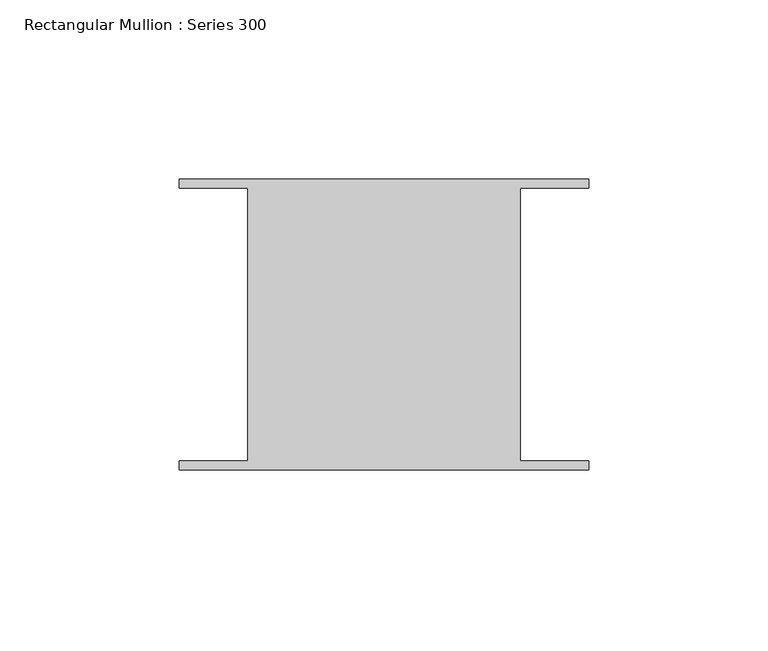
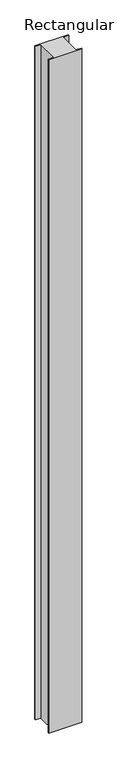
"""IFC4 building model written with IfcOpenShell, lengths in millimetres: member geometry, Rectangular Mullion : Series 300."""

from ifc_helpers import new_model, si_unit, frame, origin, place, context, project, spatial, polyline, outline, extrude, source, transform, mapped, element, save


def rectangular_mullion_series_300_eec58e1b(model_context):
    return source(origin(), model_context, "Body", "SweptSolid", [
        extrude(outline(polyline([(-57.15, 38.3180241), (-57.15, 40.8591073), (57.15, 40.8591073), (57.15, 38.2877188), (37.993673, 38.2877188), (37.993673, -37.9129276), (57.15, -37.9129276), (57.15, -40.4246411), (-57.15, -40.4246411), (-57.15, -37.8795282), (-38.0017722, -37.8795282), (-38.0017722, 38.3180241), (-57.15, 38.3180241)])), frame((0.0, 0.0, -2438.4), z_axis=(0.0, 0.0, 1.0), x_axis=(1.0, 0.0, 0.0)), (0.0, 0.0, 1.0), 2438.4),
    ])


if __name__ == "__main__":
    model = new_model("IFC4")
    model_context = context("Model", 3, world=origin())
    ifc_project = project(units=[si_unit("LENGTHUNIT", "METRE", prefix="MILLI")], contexts=[model_context])
    site = spatial("IfcSite", under=ifc_project)
    building = spatial("IfcBuilding", under=site)
    placement = place(None, origin())
    rectangular_mullion_series_300_shape = rectangular_mullion_series_300_eec58e1b(model_context)
    element("IfcMember", 1, ObjectType="Rectangular Mullion : Series 300", at=placement, inside=building, context=model_context, shape_type="MappedRepresentation", body=[
        mapped(rectangular_mullion_series_300_shape, transform((0.0, 0.0, 0.0), x_axis=(1.0, 0.0, 0.0), y_axis=(0.0, 1.0, 0.0), z_axis=(0.0, 0.0, 1.0))),
    ])
    save(model, "model.ifc")
